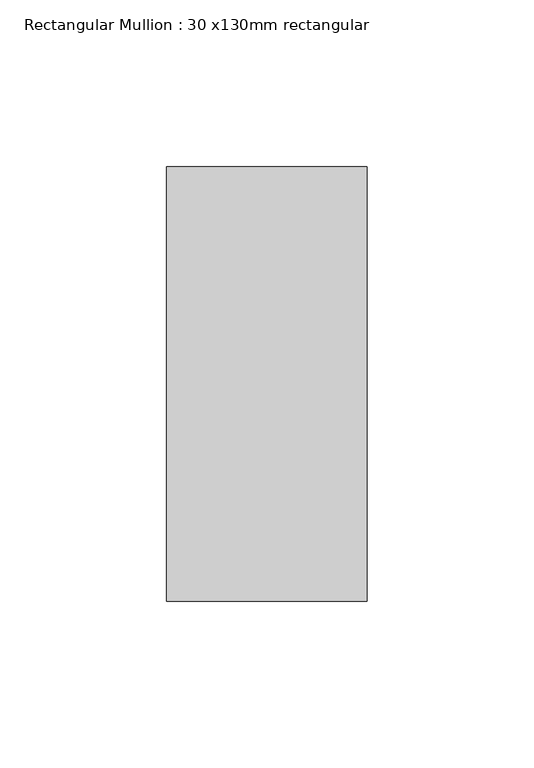
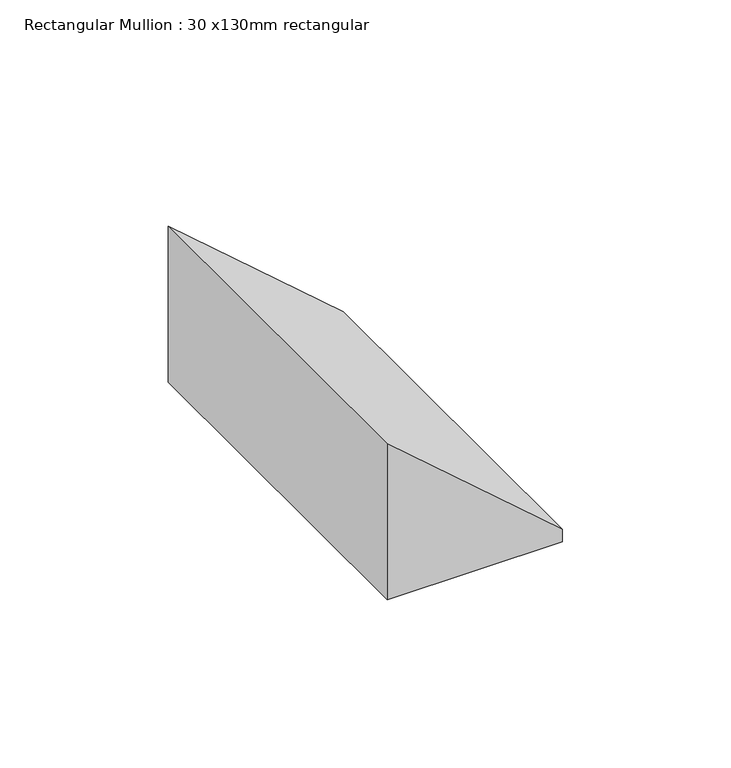
"""IFC4 building model written with IfcOpenShell, lengths in millimetres: member geometry, Rectangular Mullion : 30 x130mm rectangular."""

from ifc_helpers import new_model, si_unit, frame, origin, place, context, project, spatial, polyline, outline, extrude, source, transform, mapped, element, save


def rectangular_mullion_30_x130mm_rectangular_8f03c64d(model_context):
    return source(origin(), model_context, "Body", "SweptSolid", [
        extrude(outline(polyline([(-105.3533014, 30.0), (-53.3917772, -30.0), (-109.9176231, -30.0), (-109.9176231, 30.0), (-105.3533014, 30.0)])), frame((0.0, -65.0, 0.0), z_axis=(0.0, 1.0, 0.0), x_axis=(0.0, 0.0, 1.0)), (0.0, 0.0, 1.0), 130.0),
    ])


if __name__ == "__main__":
    model = new_model("IFC4")
    model_context = context("Model", 3, world=origin())
    ifc_project = project(units=[si_unit("LENGTHUNIT", "METRE", prefix="MILLI")], contexts=[model_context])
    site = spatial("IfcSite", under=ifc_project)
    building = spatial("IfcBuilding", under=site)
    placement = place(None, origin())
    rectangular_mullion_30_x130mm_rectangular_shape = rectangular_mullion_30_x130mm_rectangular_8f03c64d(model_context)
    element("IfcMember", 1, ObjectType="Rectangular Mullion : 30 x130mm rectangular", at=placement, inside=building, context=model_context, shape_type="MappedRepresentation", body=[
        mapped(rectangular_mullion_30_x130mm_rectangular_shape, transform((0.0, 0.0, 0.0), x_axis=(1.0, 0.0, 0.0), y_axis=(0.0, 1.0, 0.0), z_axis=(0.0, 0.0, 1.0))),
    ])
    save(model, "model.ifc")
